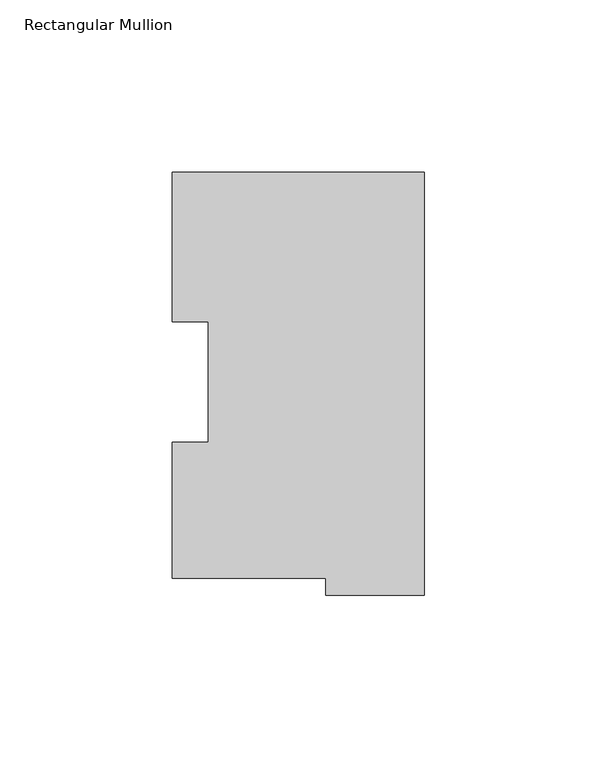
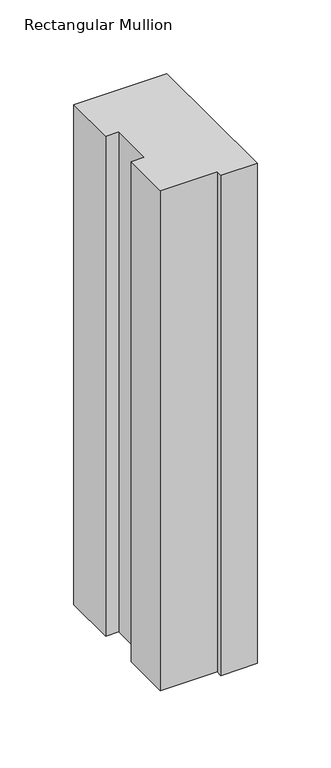
"""IFC4 building model written with IfcOpenShell, lengths in millimetres: member geometry, Rectangular Mullion."""

from ifc_helpers import new_model, si_unit, frame, origin, place, context, project, spatial, polyline, outline, extrude, source, transform, mapped, element, save


def rectangular_mullion_38d6df6a(model_context):
    return source(origin(), model_context, "Body", "SweptSolid", [
        extrude(outline(polyline([(-73.025, 117.827425), (0.0, 117.827425), (0.0, -4.778375), (-28.575, -4.778375), (-28.575, 0.225425), (-73.025, 0.225425), (-73.025, 39.646225), (-62.7126, 39.646225), (-62.7126, 74.596625), (-73.025, 74.596625), (-73.025, 117.827425)])), frame((0.0, 0.0, -414.3375), z_axis=(0.0, 0.0, 1.0), x_axis=(1.0, 0.0, 0.0)), (0.0, 0.0, 1.0), 414.3375),
    ])


if __name__ == "__main__":
    model = new_model("IFC4")
    model_context = context("Model", 3, world=origin())
    ifc_project = project(units=[si_unit("LENGTHUNIT", "METRE", prefix="MILLI")], contexts=[model_context])
    site = spatial("IfcSite", under=ifc_project)
    building = spatial("IfcBuilding", under=site)
    placement = place(None, origin())
    rectangular_mullion_shape = rectangular_mullion_38d6df6a(model_context)
    element("IfcMember", 1, ObjectType="Rectangular Mullion", at=placement, inside=building, context=model_context, shape_type="MappedRepresentation", body=[
        mapped(rectangular_mullion_shape, transform((0.0, 0.0, 0.0), x_axis=(1.0, 0.0, 0.0), y_axis=(0.0, 1.0, 0.0), z_axis=(0.0, 0.0, 1.0))),
    ])
    save(model, "model.ifc")
